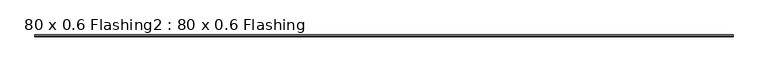
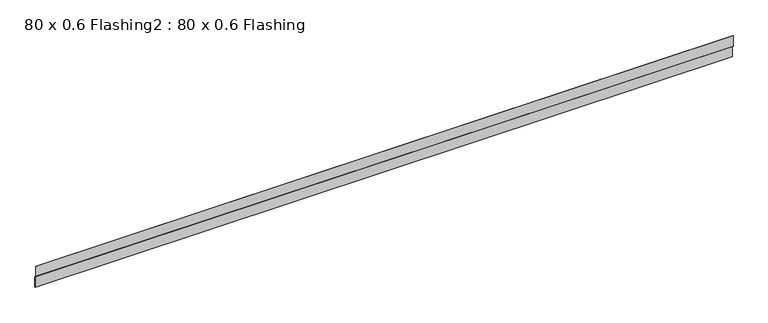
"""IFC4 building model written with IfcOpenShell, lengths in millimetres: proxy geometry, 80 x 0.6 Flashing2 : 80 x 0.6 Flashing."""

from ifc_helpers import new_model, si_unit, frame, origin, place, context, project, spatial, polyline, outline, extrude, source, transform, mapped, element, save


def proxy_80_x_0_6_flashing2_80_x_0_6_flashing_8d36aa10(model_context):
    return source(origin(), model_context, "Body", "SweptSolid", [
        extrude(outline(polyline([(-25692.7541708, 51.479818), (-25692.7541708, 88.479818), (-25691.7541708, 88.479818), (-25691.7541708, 51.9303222), (-25686.5541708, 47.3303222), (-25686.5541708, 9.567318), (-25687.5541708, 9.567318), (-25687.5541708, 46.879818), (-25692.7541708, 51.479818)])), frame((-5295.3690716, 0.0, 0.0), z_axis=(1.0, 0.0, 0.0), x_axis=(0.0, 1.0, 0.0)), (0.0, 0.0, 1.0), 2400.0),
    ])


if __name__ == "__main__":
    model = new_model("IFC4")
    model_context = context("Model", 3, world=origin())
    ifc_project = project(units=[si_unit("LENGTHUNIT", "METRE", prefix="MILLI")], contexts=[model_context])
    site = spatial("IfcSite", under=ifc_project)
    building = spatial("IfcBuilding", under=site)
    placement = place(None, origin())
    proxy_80_x_0_6_flashing2_80_x_0_6_flashing_shape = proxy_80_x_0_6_flashing2_80_x_0_6_flashing_8d36aa10(model_context)
    element("IfcBuildingElementProxy", 1, Name="80 x 0.6 Flashing2 : 80 x 0.6 Flashing", ObjectType="80 x 0.6 Flashing2 : 80 x 0.6 Flashing", at=placement, inside=building, context=model_context, shape_type="MappedRepresentation", body=[
        mapped(proxy_80_x_0_6_flashing2_80_x_0_6_flashing_shape, transform((0.0, 0.0, 0.0), x_axis=(1.0, 0.0, 0.0), y_axis=(0.0, 1.0, 0.0), z_axis=(0.0, 0.0, 1.0))),
    ])
    save(model, "model.ifc")
